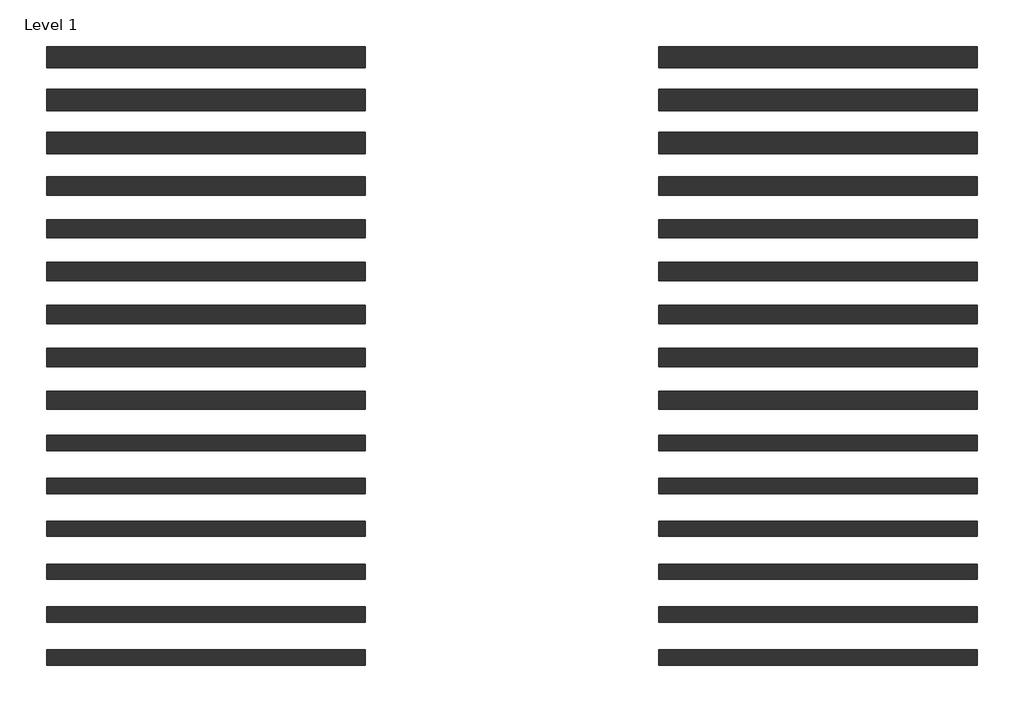
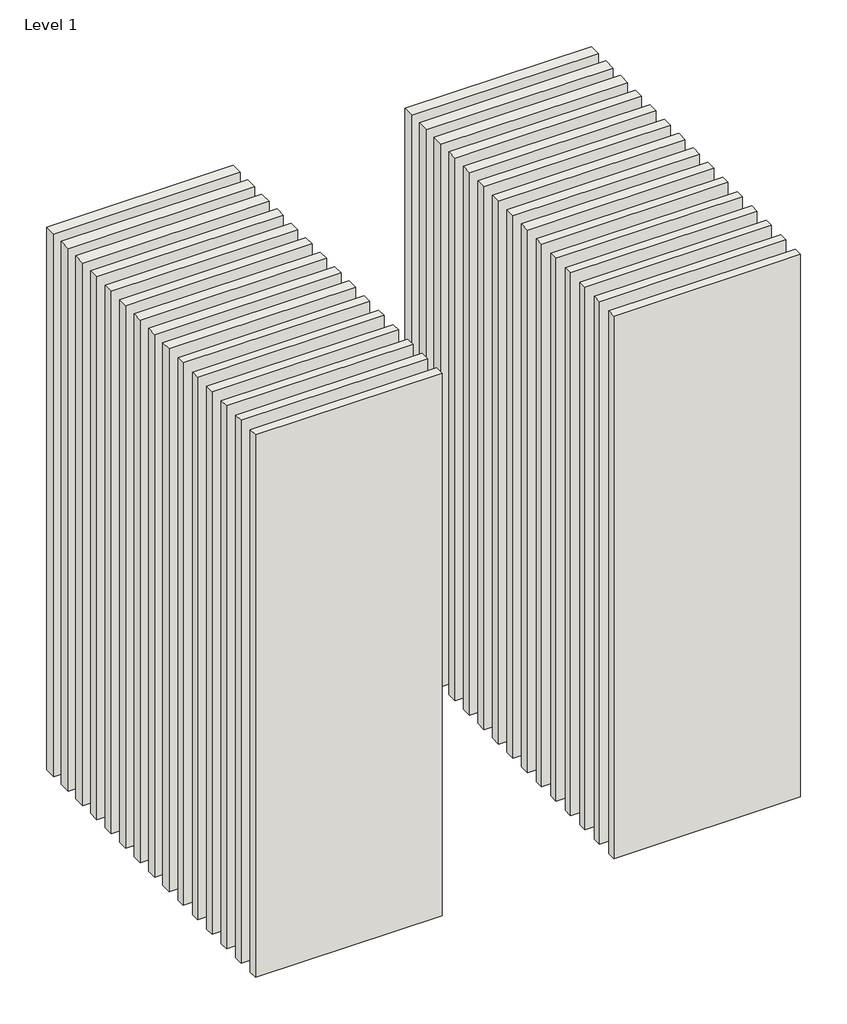
# One storey: 30 walls.
"""IFC4 building model written with IfcOpenShell, lengths in millimetres."""

from ifc_helpers import new_model, si_unit, origin, origin_with_axes, place, context, project, spatial, polyline, outline, extrude, element, save

model = new_model("IFC4")

# Units and contexts
model_context = context("Model", 3, world=origin())
ifc_project = project(units=[si_unit("LENGTHUNIT", "METRE", prefix="MILLI")], contexts=[model_context])

# Site, building, storey
site = spatial("IfcSite", under=ifc_project)
building = spatial("IfcBuilding", under=site)
storey = spatial("IfcBuildingStorey", under=building, Name="Level 1", Elevation=0.0)

# Walls
placement = place(None, origin())
element("IfcWall", 1, at=placement, inside=storey, context=model_context, shape_type="SweptSolid", body=[
    extrude(outline(polyline([(-16904.1464237, 3648.9042935), (-19504.1464237, 3648.9042935), (-19504.1464237, 3823.9042935), (-16904.1464237, 3823.9042935), (-16904.1464237, 3648.9042935)])), origin_with_axes(), (0.0, 0.0, 1.0), 8000.0),
])
element("IfcWall", 2, at=placement, inside=storey, context=model_context, shape_type="SweptSolid", body=[
    extrude(outline(polyline([(-16904.1464237, 3298.9042935), (-19504.1464237, 3298.9042935), (-19504.1464237, 3473.9042935), (-16904.1464237, 3473.9042935), (-16904.1464237, 3298.9042935)])), origin_with_axes(), (0.0, 0.0, 1.0), 8000.0),
])
element("IfcWall", 3, at=placement, inside=storey, context=model_context, shape_type="SweptSolid", body=[
    extrude(outline(polyline([(-16904.1464237, 2948.9042935), (-19504.1464237, 2948.9042935), (-19504.1464237, 3123.9042935), (-16904.1464237, 3123.9042935), (-16904.1464237, 2948.9042935)])), origin_with_axes(), (0.0, 0.0, 1.0), 8000.0),
])
element("IfcWall", 4, at=placement, inside=storey, context=model_context, shape_type="SweptSolid", body=[
    extrude(outline(polyline([(-16904.1464237, 2611.4042935), (-19504.1464237, 2611.4042935), (-19504.1464237, 2761.4042935), (-16904.1464237, 2761.4042935), (-16904.1464237, 2611.4042935)])), origin_with_axes(), (0.0, 0.0, 1.0), 8000.0),
])
element("IfcWall", 5, at=placement, inside=storey, context=model_context, shape_type="SweptSolid", body=[
    extrude(outline(polyline([(-16904.1464237, 2261.4042935), (-19504.1464237, 2261.4042935), (-19504.1464237, 2411.4042935), (-16904.1464237, 2411.4042935), (-16904.1464237, 2261.4042935)])), origin_with_axes(), (0.0, 0.0, 1.0), 8000.0),
])
element("IfcWall", 6, at=placement, inside=storey, context=model_context, shape_type="SweptSolid", body=[
    extrude(outline(polyline([(-16904.1464237, 1911.4042935), (-19504.1464237, 1911.4042935), (-19504.1464237, 2061.4042935), (-16904.1464237, 2061.4042935), (-16904.1464237, 1911.4042935)])), origin_with_axes(), (0.0, 0.0, 1.0), 8000.0),
])
element("IfcWall", 7, at=placement, inside=storey, context=model_context, shape_type="SweptSolid", body=[
    extrude(outline(polyline([(-16904.1464237, 1561.4042935), (-19504.1464237, 1561.4042935), (-19504.1464237, 1711.4042935), (-16904.1464237, 1711.4042935), (-16904.1464237, 1561.4042935)])), origin_with_axes(), (0.0, 0.0, 1.0), 8000.0),
])
element("IfcWall", 8, at=placement, inside=storey, context=model_context, shape_type="SweptSolid", body=[
    extrude(outline(polyline([(-16904.1464237, 1211.4042935), (-19504.1464237, 1211.4042935), (-19504.1464237, 1361.4042935), (-16904.1464237, 1361.4042935), (-16904.1464237, 1211.4042935)])), origin_with_axes(), (0.0, 0.0, 1.0), 8000.0),
])
element("IfcWall", 9, at=placement, inside=storey, context=model_context, shape_type="SweptSolid", body=[
    extrude(outline(polyline([(-16904.1464237, 861.4042935), (-19504.1464237, 861.4042935), (-19504.1464237, 1011.4042935), (-16904.1464237, 1011.4042935), (-16904.1464237, 861.4042935)])), origin_with_axes(), (0.0, 0.0, 1.0), 8000.0),
])
element("IfcWall", 10, at=placement, inside=storey, context=model_context, shape_type="SweptSolid", body=[
    extrude(outline(polyline([(-16904.1464237, 523.9042935), (-19504.1464237, 523.9042935), (-19504.1464237, 648.9042935), (-16904.1464237, 648.9042935), (-16904.1464237, 523.9042935)])), origin_with_axes(), (0.0, 0.0, 1.0), 8000.0),
])
element("IfcWall", 11, at=placement, inside=storey, context=model_context, shape_type="SweptSolid", body=[
    extrude(outline(polyline([(-16904.1464237, 173.9042935), (-19504.1464237, 173.9042935), (-19504.1464237, 298.9042935), (-16904.1464237, 298.9042935), (-16904.1464237, 173.9042935)])), origin_with_axes(), (0.0, 0.0, 1.0), 8000.0),
])
element("IfcWall", 12, at=placement, inside=storey, context=model_context, shape_type="SweptSolid", body=[
    extrude(outline(polyline([(-16904.1464237, -176.0957065), (-19504.1464237, -176.0957065), (-19504.1464237, -51.0957065), (-16904.1464237, -51.0957065), (-16904.1464237, -176.0957065)])), origin_with_axes(), (0.0, 0.0, 1.0), 8000.0),
])
element("IfcWall", 13, at=placement, inside=storey, context=model_context, shape_type="SweptSolid", body=[
    extrude(outline(polyline([(-16904.1464237, -526.0957065), (-19504.1464237, -526.0957065), (-19504.1464237, -401.0957065), (-16904.1464237, -401.0957065), (-16904.1464237, -526.0957065)])), origin_with_axes(), (0.0, 0.0, 1.0), 8000.0),
])
element("IfcWall", 14, at=placement, inside=storey, context=model_context, shape_type="SweptSolid", body=[
    extrude(outline(polyline([(-16904.1464237, -876.0957065), (-19504.1464237, -876.0957065), (-19504.1464237, -751.0957065), (-16904.1464237, -751.0957065), (-16904.1464237, -876.0957065)])), origin_with_axes(), (0.0, 0.0, 1.0), 8000.0),
])
element("IfcWall", 15, at=placement, inside=storey, context=model_context, shape_type="SweptSolid", body=[
    extrude(outline(polyline([(-16904.1464237, -1226.0957065), (-19504.1464237, -1226.0957065), (-19504.1464237, -1101.0957065), (-16904.1464237, -1101.0957065), (-16904.1464237, -1226.0957065)])), origin_with_axes(), (0.0, 0.0, 1.0), 8000.0),
])
element("IfcWall", 16, at=placement, inside=storey, context=model_context, shape_type="SweptSolid", body=[
    extrude(outline(polyline([(-11904.1464237, 3648.9042935), (-14504.1464237, 3648.9042935), (-14504.1464237, 3823.9042935), (-11904.1464237, 3823.9042935), (-11904.1464237, 3648.9042935)])), origin_with_axes(), (0.0, 0.0, 1.0), 8000.0),
])
element("IfcWall", 17, at=placement, inside=storey, context=model_context, shape_type="SweptSolid", body=[
    extrude(outline(polyline([(-11904.1464237, 3298.9042935), (-14504.1464237, 3298.9042935), (-14504.1464237, 3473.9042935), (-11904.1464237, 3473.9042935), (-11904.1464237, 3298.9042935)])), origin_with_axes(), (0.0, 0.0, 1.0), 8000.0),
])
element("IfcWall", 18, at=placement, inside=storey, context=model_context, shape_type="SweptSolid", body=[
    extrude(outline(polyline([(-11904.1464237, 2948.9042935), (-14504.1464237, 2948.9042935), (-14504.1464237, 3123.9042935), (-11904.1464237, 3123.9042935), (-11904.1464237, 2948.9042935)])), origin_with_axes(), (0.0, 0.0, 1.0), 8000.0),
])
element("IfcWall", 19, at=placement, inside=storey, context=model_context, shape_type="SweptSolid", body=[
    extrude(outline(polyline([(-11904.1464237, 2611.4042935), (-14504.1464237, 2611.4042935), (-14504.1464237, 2761.4042935), (-11904.1464237, 2761.4042935), (-11904.1464237, 2611.4042935)])), origin_with_axes(), (0.0, 0.0, 1.0), 8000.0),
])
element("IfcWall", 20, at=placement, inside=storey, context=model_context, shape_type="SweptSolid", body=[
    extrude(outline(polyline([(-11904.1464237, 2261.4042935), (-14504.1464237, 2261.4042935), (-14504.1464237, 2411.4042935), (-11904.1464237, 2411.4042935), (-11904.1464237, 2261.4042935)])), origin_with_axes(), (0.0, 0.0, 1.0), 8000.0),
])
element("IfcWall", 21, at=placement, inside=storey, context=model_context, shape_type="SweptSolid", body=[
    extrude(outline(polyline([(-11904.1464237, 1911.4042935), (-14504.1464237, 1911.4042935), (-14504.1464237, 2061.4042935), (-11904.1464237, 2061.4042935), (-11904.1464237, 1911.4042935)])), origin_with_axes(), (0.0, 0.0, 1.0), 8000.0),
])
element("IfcWall", 22, at=placement, inside=storey, context=model_context, shape_type="SweptSolid", body=[
    extrude(outline(polyline([(-11904.1464237, 1561.4042935), (-14504.1464237, 1561.4042935), (-14504.1464237, 1711.4042935), (-11904.1464237, 1711.4042935), (-11904.1464237, 1561.4042935)])), origin_with_axes(), (0.0, 0.0, 1.0), 8000.0),
])
element("IfcWall", 23, at=placement, inside=storey, context=model_context, shape_type="SweptSolid", body=[
    extrude(outline(polyline([(-11904.1464237, 1211.4042935), (-14504.1464237, 1211.4042935), (-14504.1464237, 1361.4042935), (-11904.1464237, 1361.4042935), (-11904.1464237, 1211.4042935)])), origin_with_axes(), (0.0, 0.0, 1.0), 8000.0),
])
element("IfcWall", 24, at=placement, inside=storey, context=model_context, shape_type="SweptSolid", body=[
    extrude(outline(polyline([(-11904.1464237, 861.4042935), (-14504.1464237, 861.4042935), (-14504.1464237, 1011.4042935), (-11904.1464237, 1011.4042935), (-11904.1464237, 861.4042935)])), origin_with_axes(), (0.0, 0.0, 1.0), 8000.0),
])
element("IfcWall", 25, at=placement, inside=storey, context=model_context, shape_type="SweptSolid", body=[
    extrude(outline(polyline([(-11904.1464237, 523.9042935), (-14504.1464237, 523.9042935), (-14504.1464237, 648.9042935), (-11904.1464237, 648.9042935), (-11904.1464237, 523.9042935)])), origin_with_axes(), (0.0, 0.0, 1.0), 8000.0),
])
element("IfcWall", 26, at=placement, inside=storey, context=model_context, shape_type="SweptSolid", body=[
    extrude(outline(polyline([(-11904.1464237, 173.9042935), (-14504.1464237, 173.9042935), (-14504.1464237, 298.9042935), (-11904.1464237, 298.9042935), (-11904.1464237, 173.9042935)])), origin_with_axes(), (0.0, 0.0, 1.0), 8000.0),
])
element("IfcWall", 27, at=placement, inside=storey, context=model_context, shape_type="SweptSolid", body=[
    extrude(outline(polyline([(-11904.1464237, -176.0957065), (-14504.1464237, -176.0957065), (-14504.1464237, -51.0957065), (-11904.1464237, -51.0957065), (-11904.1464237, -176.0957065)])), origin_with_axes(), (0.0, 0.0, 1.0), 8000.0),
])
element("IfcWall", 28, at=placement, inside=storey, context=model_context, shape_type="SweptSolid", body=[
    extrude(outline(polyline([(-11904.1464237, -526.0957065), (-14504.1464237, -526.0957065), (-14504.1464237, -401.0957065), (-11904.1464237, -401.0957065), (-11904.1464237, -526.0957065)])), origin_with_axes(), (0.0, 0.0, 1.0), 8000.0),
])
element("IfcWall", 29, at=placement, inside=storey, context=model_context, shape_type="SweptSolid", body=[
    extrude(outline(polyline([(-11904.1464237, -876.0957065), (-14504.1464237, -876.0957065), (-14504.1464237, -751.0957065), (-11904.1464237, -751.0957065), (-11904.1464237, -876.0957065)])), origin_with_axes(), (0.0, 0.0, 1.0), 8000.0),
])
element("IfcWall", 30, at=placement, inside=storey, context=model_context, shape_type="SweptSolid", body=[
    extrude(outline(polyline([(-11904.1464237, -1226.0957065), (-14504.1464237, -1226.0957065), (-14504.1464237, -1101.0957065), (-11904.1464237, -1101.0957065), (-11904.1464237, -1226.0957065)])), origin_with_axes(), (0.0, 0.0, 1.0), 8000.0),
])

save(model, "model.ifc")
